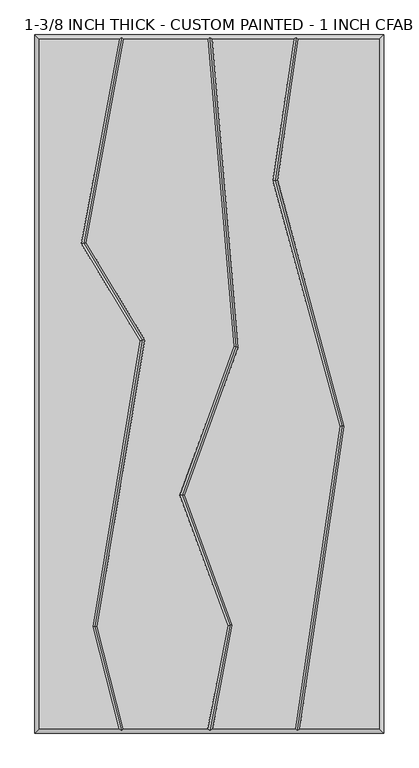
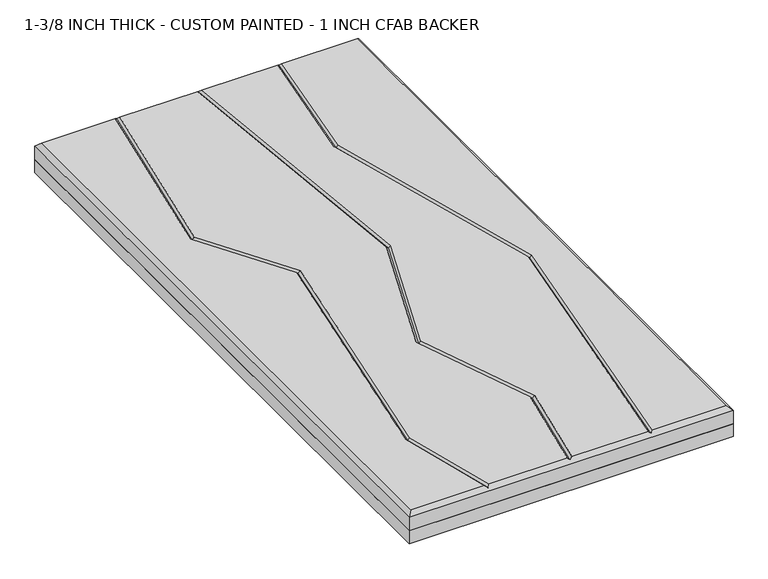
"""IFC4 building model written with IfcOpenShell, lengths in millimetres: proxy geometry, 1-3/8 INCH THICK - CUSTOM PAINTED - 1 INCH CFAB BACKER."""

from ifc_helpers import new_model, si_unit, frame, origin, place, context, project, spatial, polyline, outline, extrude, faceted_brep, source, transform, mapped, element, save


def proxy_1_3_8_inch_thick_custom_painted_1_inch_cfab_backer_4bdcea4e(model_context):
    return source(origin(), model_context, "Body", "SolidModel", [
        extrude(outline(polyline([(-304.8, 609.6), (304.8, 609.6), (304.8, -609.6), (-304.8, -609.6), (-304.8, 609.6)])), frame((0.0, 0.0, -25.4), z_axis=(0.0, 0.0, 1.0), x_axis=(1.0, 0.0, 0.0)), (0.0, 0.0, 1.0), 25.4),
        faceted_brep([(-296.799, 601.599, 34.925), (-296.799, -601.599, 34.925), (-158.5803509, -601.599, 34.925), (-204.1076125, -423.9126768, 34.925), (-121.6761617, 75.6458719, 34.925), (-223.5207333, 244.8349563, 34.925), (-157.9388411, 601.599, 34.925), (296.799, -601.599, 34.925), (296.799, 601.599, 34.925), (155.2631596, 601.599, 34.925), (118.9316967, 355.4997887, 34.925), (235.610381, -73.3512983, 34.925), (157.6255242, -601.599, 34.925), (-195.9395558, -423.5559486, 34.925), (-150.3208924, -601.599, 34.925), (-2.5427902, -601.599, 34.925), (31.8547327, -421.752345, 34.925), (-51.4382369, -194.5897006, 34.925), (42.0141797, 65.5616213, 34.925), (-3.3378717, 601.599, 34.925), (-149.8037818, 601.599, 34.925), (-215.1040836, 246.3668022, 34.925), (-113.3024346, 77.2490229, 34.925), (40.1296065, -421.0786666, 34.925), (5.6032357, -601.599, 34.925), (149.5378056, -601.599, 34.925), (227.4508614, -73.8376585, 34.925), (110.7721771, 355.0134284, 34.925), (147.175441, 601.599, 34.925), (4.6917136, 601.599, 34.925), (50.1337385, 64.4981813, 34.925), (-42.9266108, -194.5617101, 34.925), (-304.8, 609.6, 0.0), (304.8, 609.6, 0.0), (304.8, -609.6, 0.0), (-304.8, -609.6, 0.0), (-304.8, -609.6, 26.924), (-304.8, 609.6, 26.924), (304.8, -609.6, 26.924), (304.8, 609.6, 26.924), (-153.1359224, 605.5995, 30.9245), (0.3384541, 605.5995, 30.9245), (151.8098914, 605.5995, 30.9245), (152.9910738, -605.5995, 30.9245), (0.765086, -605.5995, 30.9245), (-153.4256029, -605.5995, 30.9245), (-200.0235842, -423.7343127, 30.9245), (-117.4892982, 76.4474474, 30.9245), (-219.3124085, 245.6008793, 30.9245), (35.9921696, -421.4155058, 30.9245), (-47.1824239, -194.5757053, 30.9245), (46.0739591, 65.0299013, 30.9245), (231.5306212, -73.5944784, 30.9245), (114.8519369, 355.2566085, 30.9245)], [[[0, 1, 2, 3, 4, 5, 6]], [[7, 8, 9, 10, 11, 12]], [[13, 14, 15, 16, 17, 18, 19, 20, 21, 22]], [[23, 24, 25, 26, 27, 28, 29, 30, 31]], [[32, 33, 34, 35]], [[32, 35, 36, 37]], [[35, 34, 38, 36]], [[34, 33, 39, 38]], [[33, 32, 37, 39]], [[37, 0, 6, 40, 20, 19, 41, 29, 28, 42, 9, 8, 39]], [[0, 37, 36, 1]], [[1, 36, 38, 7, 12, 43, 25, 24, 44, 15, 14, 45, 2]], [[39, 8, 7, 38]], [[46, 3, 2, 45]], [[13, 46, 45, 14]], [[3, 46, 47, 4]], [[46, 13, 22, 47]], [[4, 47, 48, 5]], [[47, 22, 21, 48]], [[5, 48, 40, 6]], [[48, 21, 20, 40]], [[49, 16, 15, 44]], [[23, 49, 44, 24]], [[16, 49, 50, 17]], [[49, 23, 31, 50]], [[17, 50, 51, 18]], [[50, 31, 30, 51]], [[18, 51, 41, 19]], [[51, 30, 29, 41]], [[52, 26, 25, 43]], [[11, 52, 43, 12]], [[26, 52, 53, 27]], [[52, 11, 10, 53]], [[27, 53, 42, 28]], [[53, 10, 9, 42]]]),
    ])


if __name__ == "__main__":
    model = new_model("IFC4")
    model_context = context("Model", 3, world=origin())
    ifc_project = project(units=[si_unit("LENGTHUNIT", "METRE", prefix="MILLI")], contexts=[model_context])
    site = spatial("IfcSite", under=ifc_project)
    building = spatial("IfcBuilding", under=site)
    placement = place(None, origin())
    proxy_1_3_8_inch_thick_custom_painted_1_inch_cfab_backer_shape = proxy_1_3_8_inch_thick_custom_painted_1_inch_cfab_backer_4bdcea4e(model_context)
    element("IfcBuildingElementProxy", 1, Name="1-3/8 INCH THICK - CUSTOM PAINTED - 1 INCH CFAB BACKER", ObjectType="1-3/8 INCH THICK - CUSTOM PAINTED - 1 INCH CFAB BACKER", at=placement, inside=building, context=model_context, shape_type="MappedRepresentation", body=[
        mapped(proxy_1_3_8_inch_thick_custom_painted_1_inch_cfab_backer_shape, transform((0.0, 0.0, 0.0), x_axis=(1.0, 0.0, 0.0), y_axis=(0.0, 1.0, 0.0), z_axis=(0.0, 0.0, 1.0))),
    ])
    save(model, "model.ifc")
